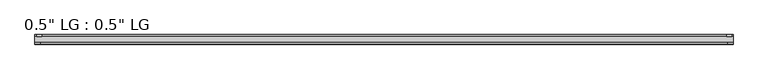
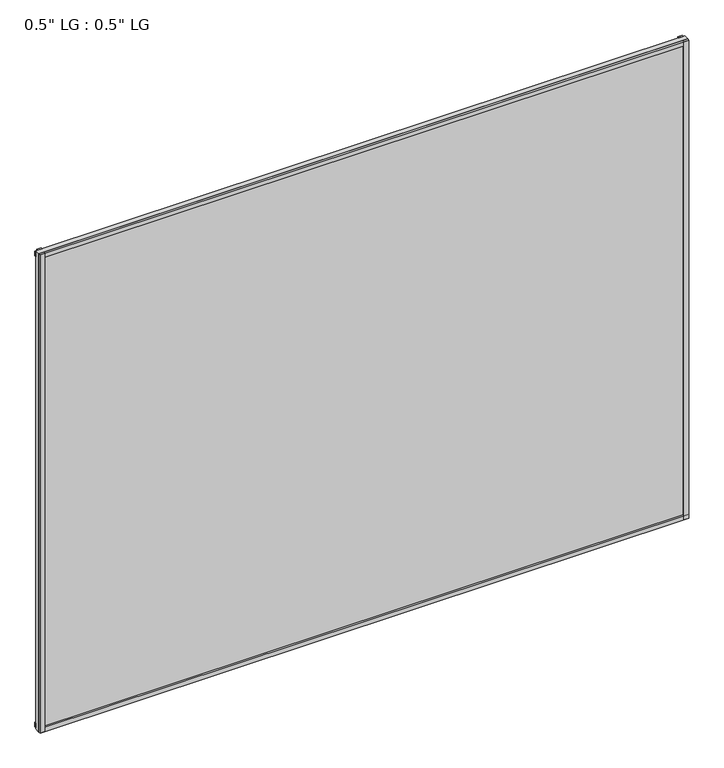
"""IFC4 building model written with IfcOpenShell, lengths in millimetres: plate geometry."""

from ifc_helpers import new_model, si_unit, frame, origin, origin_with_axes, place, context, project, spatial, polyline, outline, extrude, source, transform, mapped, element, save


def plate_daa900c3(model_context):
    return source(origin(), model_context, "Body", "SweptSolid", [
        extrude(outline(polyline([(825.5, -33.3271813), (825.5, -38.0007813), (813.3623204, -38.0007813), (813.3623204, -33.3271813), (825.5, -33.3271813)])), origin_with_axes(), (0.0, 0.0, 1.0), 1286.9380543),
        extrude(outline(polyline([(821.9686463, -15.5217813), (821.9686463, -19.7127813), (809.9562225, -19.7127813), (809.9562225, -15.5217813), (821.9686463, -15.5217813)])), origin_with_axes(), (0.0, 0.0, 1.0), 1286.9380543),
        extrude(outline(polyline([(-813.209422, -38.0007812), (-825.5, -38.0007812), (-825.5, -33.3271813), (-813.209422, -33.3271813), (-813.209422, -38.0007812)])), origin_with_axes(), (0.0, 0.0, 1.0), 1286.9380543),
        extrude(outline(polyline([(-809.2501841, -19.7127813), (-821.5407621, -19.7127813), (-821.5407621, -15.5217812), (-809.2501841, -15.5217812), (-809.2501841, -19.7127813)])), origin_with_axes(), (0.0, 0.0, 1.0), 1286.9380543),
        extrude(outline(polyline([(825.5, -33.3271813), (825.5, -38.0007813), (-825.5, -38.0007812), (-825.5, -33.3271813), (825.5, -33.3271813)])), origin_with_axes(), (0.0, 0.0, 1.0), 11.1693096),
        extrude(outline(polyline([(825.5, -15.3590708), (825.5, -20.1364307), (-825.5, -20.1364307), (-825.5, -15.3590708), (825.5, -15.3590708)])), frame((0.0, 0.0, 3.848913), z_axis=(0.0, 0.0, 1.0), x_axis=(1.0, 0.0, 0.0)), (0.0, 0.0, 1.0), 11.1693096),
        extrude(outline(polyline([(825.5, -33.3271813), (825.5, -38.0007813), (-825.5, -38.0007812), (-825.5, -33.3271812), (825.5, -33.3271813)])), frame((0.0, 0.0, 1275.7569484), z_axis=(0.0, 0.0, 1.0), x_axis=(1.0, 0.0, 0.0)), (0.0, 0.0, 1.0), 11.1811058),
        extrude(outline(polyline([(825.5, -15.5217813), (825.5, -19.7127813), (-825.5, -19.7127812), (-825.5, -15.5217813), (825.5, -15.5217813)])), frame((0.0, 0.0, 1271.1978017), z_axis=(0.0, 0.0, 1.0), x_axis=(1.0, 0.0, 0.0)), (0.0, 0.0, 1.0), 11.1811058),
        extrude(outline(polyline([(825.5, -33.3271812), (-825.5, -33.3271812), (-825.5, -19.7127812), (825.5, -19.7127812), (825.5, -33.3271812)])), origin_with_axes(), (0.0, 0.0, 1.0), 1286.9380543),
    ])


if __name__ == "__main__":
    model = new_model("IFC4")
    model_context = context("Model", 3, world=origin())
    ifc_project = project(units=[si_unit("LENGTHUNIT", "METRE", prefix="MILLI")], contexts=[model_context])
    site = spatial("IfcSite", under=ifc_project)
    building = spatial("IfcBuilding", under=site)
    placement = place(None, origin())
    plate_shape = plate_daa900c3(model_context)
    element("IfcPlate", 1, ObjectType="0.5\" LG : 0.5\" LG", at=placement, inside=building, context=model_context, shape_type="MappedRepresentation", body=[
        mapped(plate_shape, transform((0.0, 0.0, 0.0), x_axis=(1.0, 0.0, 0.0), y_axis=(0.0, 1.0, 0.0), z_axis=(0.0, 0.0, 1.0))),
    ])
    save(model, "model.ifc")
